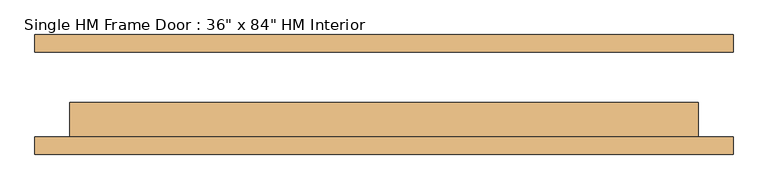
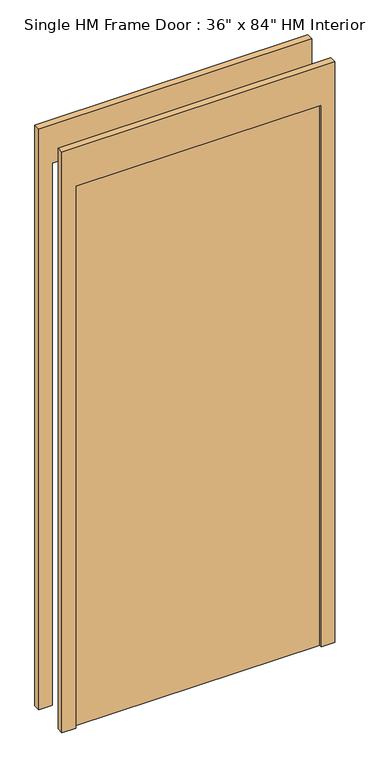
"""IFC4 building model written with IfcOpenShell, lengths in millimetres: door geometry."""

from ifc_helpers import new_model, si_unit, frame, origin, origin_with_axes, place, context, project, spatial, polyline, outline, extrude, source, transform, mapped, element, save


def door_ba00eec7(model_context):
    return source(origin(), model_context, "Body", "SweptSolid", [
        extrude(outline(polyline([(2286.0, -508.0), (0.0, -508.0), (0.0, -457.2), (2133.6, -457.2), (2133.6, 457.2), (0.0, 457.2), (0.0, 508.0), (2286.0, 508.0), (2286.0, -508.0)])), frame((0.0, -87.3125, 0.0), z_axis=(0.0, 1.0, 0.0), x_axis=(0.0, 0.0, 1.0)), (0.0, 0.0, 1.0), 25.4),
        extrude(outline(polyline([(2286.0, 508.0), (2286.0, -508.0), (0.0, -508.0), (0.0, -457.2), (2133.6, -457.2), (2133.6, 457.2), (0.0, 457.2), (0.0, 508.0), (2286.0, 508.0)])), frame((0.0, 61.9125, 0.0), z_axis=(0.0, 1.0, 0.0), x_axis=(0.0, 0.0, 1.0)), (0.0, 0.0, 1.0), 25.4),
        extrude(outline(polyline([(457.2, -11.1125), (457.2, -76.2), (-457.2, -76.2), (-457.2, -11.1125), (457.2, -11.1125)])), origin_with_axes(), (0.0, 0.0, 1.0), 2133.6),
    ])


if __name__ == "__main__":
    model = new_model("IFC4")
    model_context = context("Model", 3, world=origin())
    ifc_project = project(units=[si_unit("LENGTHUNIT", "METRE", prefix="MILLI")], contexts=[model_context])
    site = spatial("IfcSite", under=ifc_project)
    building = spatial("IfcBuilding", under=site)
    placement = place(None, origin())
    door_shape = door_ba00eec7(model_context)
    element("IfcDoor", 1, ObjectType="Single HM Frame Door : 36\" x 84\" HM Interior", at=placement, inside=building, context=model_context, shape_type="MappedRepresentation", body=[
        mapped(door_shape, transform((0.0, 0.0, 0.0), x_axis=(1.0, 0.0, 0.0), y_axis=(0.0, 1.0, 0.0), z_axis=(0.0, 0.0, 1.0))),
    ])
    save(model, "model.ifc")
